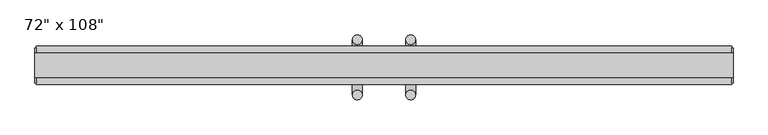
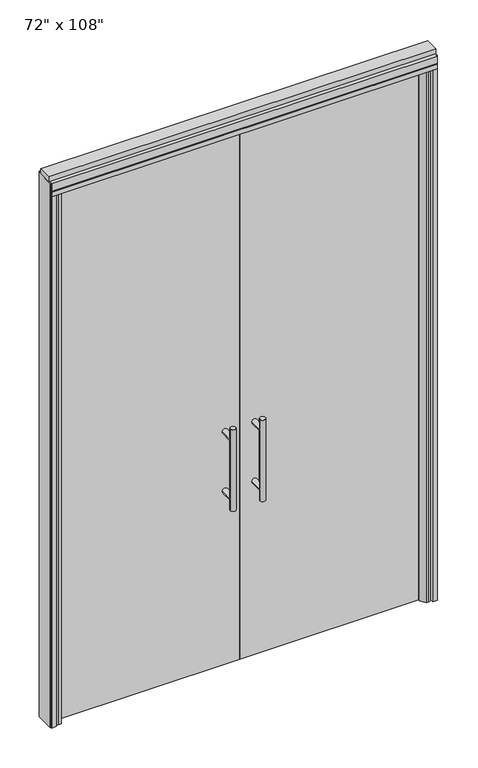
"""IFC4 building model written with IfcOpenShell, lengths in millimetres: furniture geometry."""

from ifc_helpers import new_model, si_unit, point, frame, frame_2d, origin, origin_with_axes, place, context, project, spatial, polyline, circle_curve, ellipse_curve, trimmed, segment, composite_curve, outline, extrude, source, transform, mapped, element, save
from ifc_brep_helpers import plane_surface, cylinder_surface, advanced_brep


def furniture_384dc702(model_context):
    return source(origin(), model_context, "Body", "SolidModel", [
        extrude(outline(polyline([(-948.2745229, -14.6777216), (-948.2745229, -4.5177216), (-60.0365229, -4.5177216), (-60.0365229, -14.6777216), (-948.2745229, -14.6777216)])), origin_with_axes(), (0.0, 0.0, 1.0), 2654.3),
        advanced_brep(
        [(-117.3135229, 63.0462784, 1219.2), (-142.7135229, 63.0462784, 1219.2), (-117.3135229, 63.0462784, 812.8), (-142.7135229, 63.0462784, 812.8), (-117.3135229, 63.0462784, 1164.336), (-117.3135229, 63.0462784, 867.664), (-142.7135229, 63.0462784, 867.664), (-142.7135229, 63.0462784, 1164.336), (-117.3135229, -4.5177216, 1164.336), (-142.7135229, -4.5177216, 1164.336), (-117.3135229, -4.5177216, 867.664), (-142.7135229, -4.5177216, 867.664)],
        [
            (0, 1, circle_curve(frame((-130.0135229, 63.0462784, 1219.2), z_axis=(0.0, 0.0, 1.0), x_axis=(-1.0, 0.0, 0.0)), 12.7)),
            (1, 0, circle_curve(frame((-130.0135229, 63.0462784, 1219.2), z_axis=(0.0, 0.0, 1.0), x_axis=(-1.0, 0.0, 0.0)), 12.7)),
            (2, 3, circle_curve(frame((-130.0135229, 63.0462784, 812.8), z_axis=(0.0, 0.0, -1.0), x_axis=(-1.0, 0.0, 0.0)), 12.7)),
            (3, 2, circle_curve(frame((-130.0135229, 63.0462784, 812.8), z_axis=(0.0, 0.0, -1.0), x_axis=(-1.0, 0.0, 0.0)), 12.7)),
            (0, 4),
            (4, 5),
            (5, 2),
            (3, 6),
            (6, 7),
            (7, 1),
            (7, 4, ellipse_curve(frame((-130.0135229, 63.0462784, 1164.336), z_axis=(0.0, 0.707106781186565, 0.70710678118653), x_axis=(0.0, -0.70710678118653, 0.707106781186565)), 17.9605122, 12.7)),
            (5, 6, ellipse_curve(frame((-130.0135229, 63.0462784, 867.664), z_axis=(0.0, 0.70710678118653, -0.7071067811865649), x_axis=(0.0, 0.7071067811865648, 0.7071067811865301)), 17.9605122, 12.7)),
            (4, 7, ellipse_curve(frame((-130.0135229, 63.0462784, 1164.336), z_axis=(0.0, 0.70710678118653, -0.7071067811865649), x_axis=(0.0, 0.7071067811865648, 0.7071067811865301)), 17.9605122, 12.7)),
            (6, 5, ellipse_curve(frame((-130.0135229, 63.0462784, 867.664), z_axis=(0.0, 0.707106781186565, 0.70710678118653), x_axis=(0.0, -0.70710678118653, 0.707106781186565)), 17.9605122, 12.7)),
            (8, 9, circle_curve(frame((-130.0135229, -4.5177216, 1164.336), z_axis=(0.0, -1.0, 0.0), x_axis=(-1.0, 0.0, 0.0)), 12.7)),
            (9, 8, circle_curve(frame((-130.0135229, -4.5177216, 1164.336), z_axis=(0.0, -1.0, 0.0), x_axis=(-1.0, 0.0, 0.0)), 12.7)),
            (9, 7),
            (4, 8),
            (10, 11, circle_curve(frame((-130.0135229, -4.5177216, 867.664), z_axis=(0.0, -1.0, 0.0), x_axis=(-1.0, 0.0, 0.0)), 12.7)),
            (11, 10, circle_curve(frame((-130.0135229, -4.5177216, 867.664), z_axis=(0.0, -1.0, 0.0), x_axis=(-1.0, 0.0, 0.0)), 12.7)),
            (11, 6),
            (5, 10),
        ],
        [
            plane_surface(frame((-142.7135229, 63.0462784, 1219.2), z_axis=(0.0, 0.0, 1.0), x_axis=(0.0, -1.0, 0.0))),
            plane_surface(frame((-142.7135229, 63.0462784, 812.8), z_axis=(0.0, 0.0, -1.0), x_axis=(0.0, 1.0, 0.0))),
            cylinder_surface(frame((-130.0135229, 63.0462784, 812.8), z_axis=(0.0, 0.0, 1.0), x_axis=(-1.0, 0.0, 0.0)), 12.7),
            plane_surface(frame((-142.7135229, -4.5177216, 1164.336), z_axis=(0.0, -1.0, 0.0), x_axis=(0.0, 0.0, -1.0))),
            cylinder_surface(frame((-130.0135229, -4.5177216, 1164.336), z_axis=(0.0, 1.0, 0.0), x_axis=(-1.0, 0.0, 0.0)), 12.7),
            plane_surface(frame((-142.7135229, -4.5177216, 867.664), z_axis=(0.0, -1.0, 0.0), x_axis=(0.0, 0.0, -1.0))),
            cylinder_surface(frame((-130.0135229, -4.5177216, 867.664), z_axis=(0.0, 1.0, 0.0), x_axis=(-1.0, 0.0, 0.0)), 12.7),
        ],
        [
            (0, [[1, 2]]),
            (1, [[3, 4]]),
            (2, [[-1, 5, 6, 7, -4, 8, 9, 10]]),
            (2, [[-2, -10, 11, -5]]),
            (2, [[-3, -7, 12, -8]]),
            (2, [[13, -9, 14, -6]]),
            (3, [[15, 16]]),
            (4, [[-16, 17, -13, 18]]),
            (4, [[-15, -18, -11, -17]]),
            (5, [[19, 20]]),
            (6, [[-20, 21, -12, 22]]),
            (6, [[-19, -22, -14, -21]]),
        ],
    ),
        advanced_brep(
        [(-117.3135229, -82.2417216, 1219.2), (-142.7135229, -82.2417216, 1219.2), (-117.3135229, -82.2417216, 812.8), (-142.7135229, -82.2417216, 812.8), (-142.7135229, -82.2417216, 1164.336), (-142.7135229, -82.2417216, 867.664), (-117.3135229, -82.2417216, 867.664), (-117.3135229, -82.2417216, 1164.336), (-117.3135229, -14.6777216, 1164.336), (-142.7135229, -14.6777216, 1164.336), (-117.3135229, -14.6777216, 867.664), (-142.7135229, -14.6777216, 867.664)],
        [
            (0, 1, circle_curve(frame((-130.0135229, -82.2417216, 1219.2), z_axis=(0.0, 0.0, 1.0), x_axis=(-1.0, 0.0, 0.0)), 12.7)),
            (1, 0, circle_curve(frame((-130.0135229, -82.2417216, 1219.2), z_axis=(0.0, 0.0, 1.0), x_axis=(-1.0, 0.0, 0.0)), 12.7)),
            (2, 3, circle_curve(frame((-130.0135229, -82.2417216, 812.8), z_axis=(0.0, 0.0, -1.0), x_axis=(-1.0, 0.0, 0.0)), 12.7)),
            (3, 2, circle_curve(frame((-130.0135229, -82.2417216, 812.8), z_axis=(0.0, 0.0, -1.0), x_axis=(-1.0, 0.0, 0.0)), 12.7)),
            (1, 4),
            (4, 5),
            (5, 3),
            (2, 6),
            (6, 7),
            (7, 0),
            (6, 5, ellipse_curve(frame((-130.0135229, -82.2417216, 867.664), z_axis=(0.0, -0.707106781186565, 0.70710678118653), x_axis=(0.0, 0.70710678118653, 0.707106781186565)), 17.9605122, 12.7)),
            (4, 7, ellipse_curve(frame((-130.0135229, -82.2417216, 1164.336), z_axis=(0.0, -0.70710678118653, -0.7071067811865649), x_axis=(0.0, -0.7071067811865648, 0.7071067811865301)), 17.9605122, 12.7)),
            (7, 4, ellipse_curve(frame((-130.0135229, -82.2417216, 1164.336), z_axis=(0.0, -0.707106781186565, 0.70710678118653), x_axis=(0.0, 0.70710678118653, 0.707106781186565)), 17.9605122, 12.7)),
            (5, 6, ellipse_curve(frame((-130.0135229, -82.2417216, 867.664), z_axis=(0.0, -0.70710678118653, -0.7071067811865649), x_axis=(0.0, -0.7071067811865648, 0.7071067811865301)), 17.9605122, 12.7)),
            (8, 9, circle_curve(frame((-130.0135229, -14.6777216, 1164.336), z_axis=(0.0, 1.0, 0.0), x_axis=(-1.0, 0.0, 0.0)), 12.7)),
            (9, 8, circle_curve(frame((-130.0135229, -14.6777216, 1164.336), z_axis=(0.0, 1.0, 0.0), x_axis=(-1.0, 0.0, 0.0)), 12.7)),
            (8, 7),
            (4, 9),
            (10, 11, circle_curve(frame((-130.0135229, -14.6777216, 867.664), z_axis=(0.0, 1.0, 0.0), x_axis=(-1.0, 0.0, 0.0)), 12.7)),
            (11, 10, circle_curve(frame((-130.0135229, -14.6777216, 867.664), z_axis=(0.0, 1.0, 0.0), x_axis=(-1.0, 0.0, 0.0)), 12.7)),
            (10, 6),
            (5, 11),
        ],
        [
            plane_surface(frame((-142.7135229, -82.2417216, 1219.2), z_axis=(0.0, 0.0, 1.0), x_axis=(0.0, 1.0, 0.0))),
            plane_surface(frame((-142.7135229, -82.2417216, 812.8), z_axis=(0.0, 0.0, -1.0), x_axis=(0.0, -1.0, 0.0))),
            cylinder_surface(frame((-130.0135229, -82.2417216, 812.8), z_axis=(0.0, 0.0, 1.0), x_axis=(-1.0, 0.0, 0.0)), 12.7),
            plane_surface(frame((-142.7135229, -14.6777216, 1164.336), z_axis=(0.0, 1.0, 0.0), x_axis=(0.0, 0.0, -1.0))),
            cylinder_surface(frame((-130.0135229, -14.6777216, 1164.336), z_axis=(0.0, -1.0, 0.0), x_axis=(-1.0, 0.0, 0.0)), 12.7),
            plane_surface(frame((-142.7135229, -14.6777216, 867.664), z_axis=(0.0, 1.0, 0.0), x_axis=(0.0, 0.0, -1.0))),
            cylinder_surface(frame((-130.0135229, -14.6777216, 867.664), z_axis=(0.0, -1.0, 0.0), x_axis=(-1.0, 0.0, 0.0)), 12.7),
        ],
        [
            (0, [[1, 2]]),
            (1, [[3, 4]]),
            (2, [[5, 6, 7, -3, 8, 9, 10, -2]]),
            (2, [[-9, 11, -6, 12]]),
            (2, [[-10, 13, -5, -1]]),
            (2, [[-7, 14, -8, -4]]),
            (3, [[15, 16]]),
            (4, [[17, -12, 18, -15]]),
            (4, [[-18, -13, -17, -16]]),
            (5, [[19, 20]]),
            (6, [[21, -14, 22, -19]]),
            (6, [[-22, -11, -21, -20]]),
        ],
    ),
        extrude(outline(polyline([(-934.9395229, 4.6262784), (-906.2375229, 4.6262784), (-906.2375229, -4.5177216), (-934.9395229, -4.5177216), (-934.9395229, 4.6262784)])), origin_with_axes(), (0.0, 0.0, 1.0), 2654.3),
        extrude(outline(composite_curve([segment(polyline([(-906.2375229, -14.6777216), (-906.2375229, -20.2657216), (-922.2525186, -47.99736), (-934.4979561, -47.99736)]), True, "CONTINUOUS"), segment(trimmed(circle_curve(frame_2d((-931.1565751, -30.8880433)), 17.4325427), [point((-934.4979561, -47.99736))], [point((-948.2745229, -34.1849216))], False, "CARTESIAN"), True, "CONTINUOUS"), segment(polyline([(-948.2745229, -34.1849216), (-948.2745229, -14.6777216), (-906.2375229, -14.6777216)]), True, "CONTINUOUS")], self_intersect=False)), origin_with_axes(), (0.0, 0.0, 1.0), 2654.3),
        extrude(outline(polyline([(828.2014771, -14.6777216), (-60.0365229, -14.6777216), (-60.0365229, -4.5177216), (828.2014771, -4.5177216), (828.2014771, -14.6777216)])), origin_with_axes(), (0.0, 0.0, 1.0), 2654.3),
        advanced_brep(
        [(-2.7595229, 63.0462784, 1219.2), (22.6404771, 63.0462784, 1219.2), (-2.7595229, 63.0462784, 812.8), (22.6404771, 63.0462784, 812.8), (22.6404771, 63.0462784, 1164.336), (22.6404771, 63.0462784, 867.664), (-2.7595229, 63.0462784, 867.664), (-2.7595229, 63.0462784, 1164.336), (-2.7595229, -4.5177216, 1164.336), (22.6404771, -4.5177216, 1164.336), (-2.7595229, -4.5177216, 867.664), (22.6404771, -4.5177216, 867.664)],
        [
            (0, 1, circle_curve(frame((9.9404771, 63.0462784, 1219.2), z_axis=(0.0, 0.0, 1.0), x_axis=(1.0, 0.0, 0.0)), 12.7)),
            (1, 0, circle_curve(frame((9.9404771, 63.0462784, 1219.2), z_axis=(0.0, 0.0, 1.0), x_axis=(1.0, 0.0, 0.0)), 12.7)),
            (2, 3, circle_curve(frame((9.9404771, 63.0462784, 812.8), z_axis=(0.0, 0.0, -1.0), x_axis=(1.0, 0.0, 0.0)), 12.7)),
            (3, 2, circle_curve(frame((9.9404771, 63.0462784, 812.8), z_axis=(0.0, 0.0, -1.0), x_axis=(1.0, 0.0, 0.0)), 12.7)),
            (1, 4),
            (4, 5),
            (5, 3),
            (2, 6),
            (6, 7),
            (7, 0),
            (6, 5, ellipse_curve(frame((9.9404771, 63.0462784, 867.664), z_axis=(0.0, 0.707106781186565, 0.70710678118653), x_axis=(0.0, -0.70710678118653, 0.707106781186565)), 17.9605122, 12.7)),
            (4, 7, ellipse_curve(frame((9.9404771, 63.0462784, 1164.336), z_axis=(0.0, 0.70710678118653, -0.7071067811865649), x_axis=(0.0, 0.7071067811865648, 0.7071067811865301)), 17.9605122, 12.7)),
            (7, 4, ellipse_curve(frame((9.9404771, 63.0462784, 1164.336), z_axis=(0.0, 0.707106781186565, 0.70710678118653), x_axis=(0.0, -0.70710678118653, 0.707106781186565)), 17.9605122, 12.7)),
            (5, 6, ellipse_curve(frame((9.9404771, 63.0462784, 867.664), z_axis=(0.0, 0.70710678118653, -0.7071067811865649), x_axis=(0.0, 0.7071067811865648, 0.7071067811865301)), 17.9605122, 12.7)),
            (8, 9, circle_curve(frame((9.9404771, -4.5177216, 1164.336), z_axis=(0.0, -1.0, 0.0), x_axis=(1.0, 0.0, 0.0)), 12.7)),
            (9, 8, circle_curve(frame((9.9404771, -4.5177216, 1164.336), z_axis=(0.0, -1.0, 0.0), x_axis=(1.0, 0.0, 0.0)), 12.7)),
            (8, 7),
            (4, 9),
            (10, 11, circle_curve(frame((9.9404771, -4.5177216, 867.664), z_axis=(0.0, -1.0, 0.0), x_axis=(1.0, 0.0, 0.0)), 12.7)),
            (11, 10, circle_curve(frame((9.9404771, -4.5177216, 867.664), z_axis=(0.0, -1.0, 0.0), x_axis=(1.0, 0.0, 0.0)), 12.7)),
            (10, 6),
            (5, 11),
        ],
        [
            plane_surface(frame((22.6404771, 63.0462784, 1219.2), z_axis=(0.0, 0.0, 1.0), x_axis=(0.0, -1.0, 0.0))),
            plane_surface(frame((22.6404771, 63.0462784, 812.8), z_axis=(0.0, 0.0, -1.0), x_axis=(0.0, 1.0, 0.0))),
            cylinder_surface(frame((9.9404771, 63.0462784, 812.8), z_axis=(0.0, 0.0, 1.0), x_axis=(1.0, 0.0, 0.0)), 12.7),
            plane_surface(frame((22.6404771, -4.5177216, 1164.336), z_axis=(0.0, -1.0, 0.0), x_axis=(0.0, 0.0, -1.0))),
            cylinder_surface(frame((9.9404771, -4.5177216, 1164.336), z_axis=(0.0, 1.0, 0.0), x_axis=(1.0, 0.0, 0.0)), 12.7),
            plane_surface(frame((22.6404771, -4.5177216, 867.664), z_axis=(0.0, -1.0, 0.0), x_axis=(0.0, 0.0, -1.0))),
            cylinder_surface(frame((9.9404771, -4.5177216, 867.664), z_axis=(0.0, 1.0, 0.0), x_axis=(1.0, 0.0, 0.0)), 12.7),
        ],
        [
            (0, [[1, 2]]),
            (1, [[3, 4]]),
            (2, [[5, 6, 7, -3, 8, 9, 10, -2]]),
            (2, [[-9, 11, -6, 12]]),
            (2, [[-10, 13, -5, -1]]),
            (2, [[-7, 14, -8, -4]]),
            (3, [[15, 16]]),
            (4, [[17, -12, 18, -15]]),
            (4, [[-18, -13, -17, -16]]),
            (5, [[19, 20]]),
            (6, [[21, -14, 22, -19]]),
            (6, [[-22, -11, -21, -20]]),
        ],
    ),
        advanced_brep(
        [(-2.7595229, -82.2417216, 1219.2), (22.6404771, -82.2417216, 1219.2), (-2.7595229, -82.2417216, 812.8), (22.6404771, -82.2417216, 812.8), (-2.7595229, -82.2417216, 1164.336), (-2.7595229, -82.2417216, 867.664), (22.6404771, -82.2417216, 867.664), (22.6404771, -82.2417216, 1164.336), (-2.7595229, -14.6777216, 1164.336), (22.6404771, -14.6777216, 1164.336), (-2.7595229, -14.6777216, 867.664), (22.6404771, -14.6777216, 867.664)],
        [
            (0, 1, circle_curve(frame((9.9404771, -82.2417216, 1219.2), z_axis=(0.0, 0.0, 1.0), x_axis=(1.0, 0.0, 0.0)), 12.7)),
            (1, 0, circle_curve(frame((9.9404771, -82.2417216, 1219.2), z_axis=(0.0, 0.0, 1.0), x_axis=(1.0, 0.0, 0.0)), 12.7)),
            (2, 3, circle_curve(frame((9.9404771, -82.2417216, 812.8), z_axis=(0.0, 0.0, -1.0), x_axis=(1.0, 0.0, 0.0)), 12.7)),
            (3, 2, circle_curve(frame((9.9404771, -82.2417216, 812.8), z_axis=(0.0, 0.0, -1.0), x_axis=(1.0, 0.0, 0.0)), 12.7)),
            (0, 4),
            (4, 5),
            (5, 2),
            (3, 6),
            (6, 7),
            (7, 1),
            (7, 4, ellipse_curve(frame((9.9404771, -82.2417216, 1164.336), z_axis=(0.0, -0.707106781186565, 0.70710678118653), x_axis=(0.0, 0.70710678118653, 0.707106781186565)), 17.9605122, 12.7)),
            (5, 6, ellipse_curve(frame((9.9404771, -82.2417216, 867.664), z_axis=(0.0, -0.70710678118653, -0.7071067811865649), x_axis=(0.0, -0.7071067811865648, 0.7071067811865301)), 17.9605122, 12.7)),
            (4, 7, ellipse_curve(frame((9.9404771, -82.2417216, 1164.336), z_axis=(0.0, -0.70710678118653, -0.7071067811865649), x_axis=(0.0, -0.7071067811865648, 0.7071067811865301)), 17.9605122, 12.7)),
            (6, 5, ellipse_curve(frame((9.9404771, -82.2417216, 867.664), z_axis=(0.0, -0.707106781186565, 0.70710678118653), x_axis=(0.0, 0.70710678118653, 0.707106781186565)), 17.9605122, 12.7)),
            (8, 9, circle_curve(frame((9.9404771, -14.6777216, 1164.336), z_axis=(0.0, 1.0, 0.0), x_axis=(1.0, 0.0, 0.0)), 12.7)),
            (9, 8, circle_curve(frame((9.9404771, -14.6777216, 1164.336), z_axis=(0.0, 1.0, 0.0), x_axis=(1.0, 0.0, 0.0)), 12.7)),
            (9, 7),
            (4, 8),
            (10, 11, circle_curve(frame((9.9404771, -14.6777216, 867.664), z_axis=(0.0, 1.0, 0.0), x_axis=(1.0, 0.0, 0.0)), 12.7)),
            (11, 10, circle_curve(frame((9.9404771, -14.6777216, 867.664), z_axis=(0.0, 1.0, 0.0), x_axis=(1.0, 0.0, 0.0)), 12.7)),
            (11, 6),
            (5, 10),
        ],
        [
            plane_surface(frame((22.6404771, -82.2417216, 1219.2), z_axis=(0.0, 0.0, 1.0), x_axis=(0.0, 1.0, 0.0))),
            plane_surface(frame((22.6404771, -82.2417216, 812.8), z_axis=(0.0, 0.0, -1.0), x_axis=(0.0, -1.0, 0.0))),
            cylinder_surface(frame((9.9404771, -82.2417216, 812.8), z_axis=(0.0, 0.0, 1.0), x_axis=(1.0, 0.0, 0.0)), 12.7),
            plane_surface(frame((22.6404771, -14.6777216, 1164.336), z_axis=(0.0, 1.0, 0.0), x_axis=(0.0, 0.0, -1.0))),
            cylinder_surface(frame((9.9404771, -14.6777216, 1164.336), z_axis=(0.0, -1.0, 0.0), x_axis=(1.0, 0.0, 0.0)), 12.7),
            plane_surface(frame((22.6404771, -14.6777216, 867.664), z_axis=(0.0, 1.0, 0.0), x_axis=(0.0, 0.0, -1.0))),
            cylinder_surface(frame((9.9404771, -14.6777216, 867.664), z_axis=(0.0, -1.0, 0.0), x_axis=(1.0, 0.0, 0.0)), 12.7),
        ],
        [
            (0, [[1, 2]]),
            (1, [[3, 4]]),
            (2, [[-1, 5, 6, 7, -4, 8, 9, 10]]),
            (2, [[-2, -10, 11, -5]]),
            (2, [[-3, -7, 12, -8]]),
            (2, [[13, -9, 14, -6]]),
            (3, [[15, 16]]),
            (4, [[-16, 17, -13, 18]]),
            (4, [[-15, -18, -11, -17]]),
            (5, [[19, 20]]),
            (6, [[-20, 21, -12, 22]]),
            (6, [[-19, -22, -14, -21]]),
        ],
    ),
        extrude(outline(polyline([(814.8664771, 4.6262784), (814.8664771, -4.5177216), (786.1644771, -4.5177216), (786.1644771, 4.6262784), (814.8664771, 4.6262784)])), origin_with_axes(), (0.0, 0.0, 1.0), 2654.3),
        extrude(outline(composite_curve([segment(polyline([(786.1644771, -14.6777216), (828.2014771, -14.6777216), (828.2014771, -34.1849216)]), True, "CONTINUOUS"), segment(trimmed(circle_curve(frame_2d((811.0835293, -30.8880433)), 17.4325427), [point((828.2014771, -34.1849216))], [point((814.4249103, -47.99736))], False, "CARTESIAN"), True, "CONTINUOUS"), segment(polyline([(814.4249103, -47.99736), (802.1794728, -47.99736), (786.1644771, -20.2657216), (786.1644771, -14.6777216)]), True, "CONTINUOUS")], self_intersect=False)), origin_with_axes(), (0.0, 0.0, 1.0), 2654.3),
        extrude(outline(polyline([(-970.4995229, -55.3177216), (-970.4995229, 46.2822784), (850.4264771, 46.2822784), (850.4264771, -55.3177216), (-970.4995229, -55.3177216)])), frame((0.0, 0.0, 2654.3), z_axis=(0.0, 0.0, 1.0), x_axis=(1.0, 0.0, 0.0)), (0.0, 0.0, 1.0), 22.225),
        extrude(outline(polyline([(854.3634771, -50.3647216), (850.4264771, -50.3647216), (850.4264771, 41.3292784), (854.3634771, 41.3292784), (854.3634771, -50.3647216)])), origin_with_axes(), (0.0, 0.0, 1.0), 2717.8),
        extrude(outline(polyline([(-974.4365229, -50.3647216), (-974.4365229, 41.3292784), (-970.4995229, 41.3292784), (-970.4995229, -50.3647216), (-974.4365229, -50.3647216)])), origin_with_axes(), (0.0, 0.0, 1.0), 2717.8),
        extrude(outline(polyline([(850.4264771, 46.2822784), (850.4264771, -55.3177216), (828.2014771, -55.3177216), (828.2014771, -4.5177216), (815.5014771, -4.5177216), (815.5014771, 20.8822784), (828.2014771, 20.8822784), (828.2014771, 46.2822784), (850.4264771, 46.2822784)])), origin_with_axes(), (0.0, 0.0, 1.0), 2654.3),
        extrude(outline(polyline([(-970.4995229, 46.2822784), (-948.2745229, 46.2822784), (-948.2745229, 20.8822784), (-935.5745229, 20.8822784), (-935.5745229, -4.5177216), (-948.2745229, -4.5177216), (-948.2745229, -55.3177216), (-970.4995229, -55.3177216), (-970.4995229, 46.2822784)])), origin_with_axes(), (0.0, 0.0, 1.0), 2654.3),
        extrude(outline(polyline([(-55.3177216, 2681.478), (-55.3177216, 2717.8), (46.2822784, 2717.8), (46.2822784, 2681.478), (41.3292784, 2681.478), (41.3292784, 2676.525), (-50.3647216, 2676.525), (-50.3647216, 2681.478), (-55.3177216, 2681.478)])), frame((-970.4995229, 0.0, 0.0), z_axis=(1.0, 0.0, 0.0), x_axis=(0.0, 1.0, 0.0)), (0.0, 0.0, 1.0), 1820.926),
        extrude(outline(polyline([(-974.4365229, -37.0297216), (-974.4365229, 27.9942784), (854.3634771, 27.9942784), (854.3634771, -37.0297216), (-974.4365229, -37.0297216)])), frame((0.0, 0.0, 2717.8), z_axis=(0.0, 0.0, 1.0), x_axis=(1.0, 0.0, 0.0)), (0.0, 0.0, 1.0), 25.4),
    ])


if __name__ == "__main__":
    model = new_model("IFC4")
    model_context = context("Model", 3, world=origin())
    ifc_project = project(units=[si_unit("LENGTHUNIT", "METRE", prefix="MILLI")], contexts=[model_context])
    site = spatial("IfcSite", under=ifc_project)
    building = spatial("IfcBuilding", under=site)
    placement = place(None, origin())
    furniture_shape = furniture_384dc702(model_context)
    element("IfcFurniture", 1, ObjectType="72\" x 108\"", at=placement, inside=building, context=model_context, shape_type="MappedRepresentation", body=[
        mapped(furniture_shape, transform((0.0, 0.0, 0.0), x_axis=(1.0, 0.0, 0.0), y_axis=(0.0, 1.0, 0.0), z_axis=(0.0, 0.0, 1.0))),
    ])
    save(model, "model.ifc")
